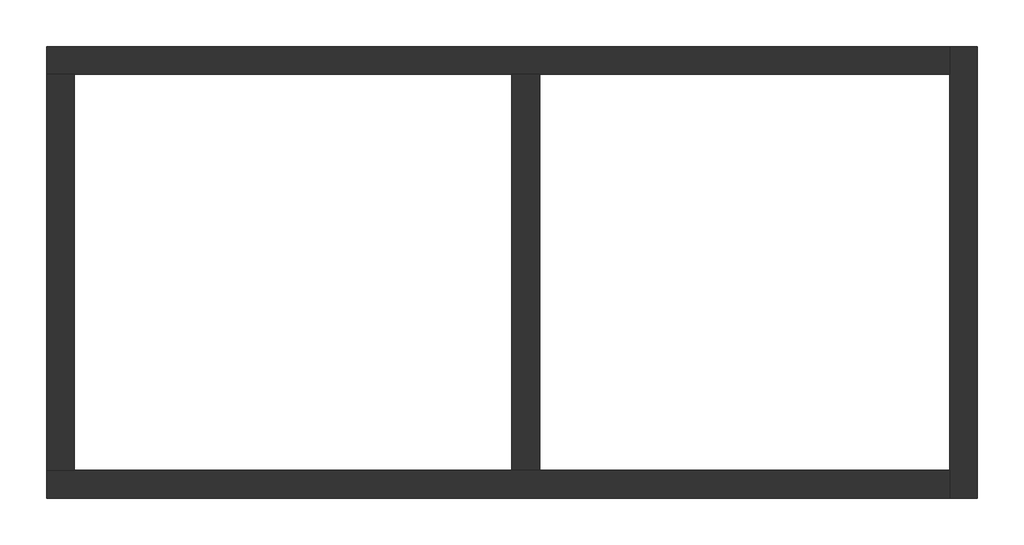
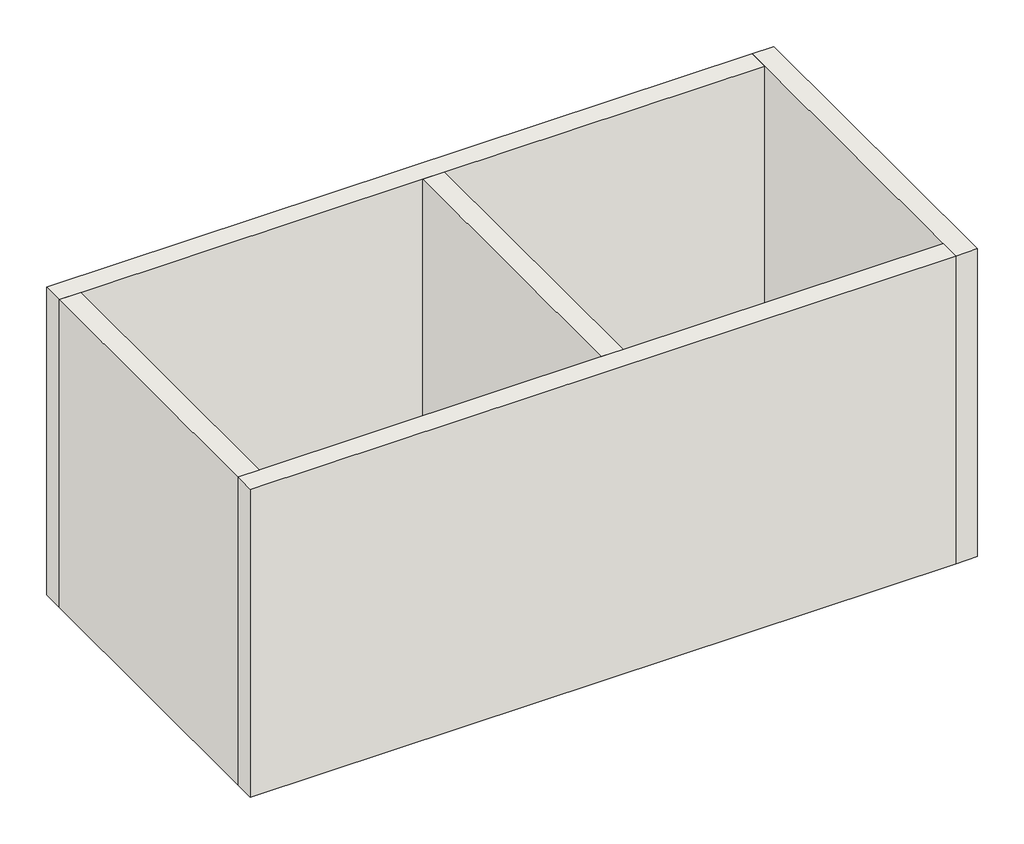
# One storey: 5 walls.
"""IFC4 building model written with IfcOpenShell, lengths in millimetres."""

import ifcopenshell
import ifcopenshell.guid

model = None  # the IFC model being written
_history = None  # IfcOwnerHistory: only IFC2X3 demands one
_inside = {}  # id of a spatial element -> (the spatial element, [elements in it])
_under = {}  # id of a project, library or spatial element -> (it, [spatial elements below it])
_declared = {}  # id of a project -> (the project, [libraries it declares])
_typed = {}  # id of a type object -> (the type object, [elements of that type])
_made_of = {}  # id of a material, layer set ... -> (it, [elements and type objects made of it])


def new_model(schema):
    """Start an empty IFC model of exactly this schema.

    Asked for "IFC4X3", IfcOpenShell would pick the latest addendum, in which some entities
    have other attributes; the version numbers below select the first issue.
    IFC2X3 requires an IfcOwnerHistory on every rooted entity: one is made here for all.
    """
    global model, _history
    if schema == "IFC4X3":
        model = ifcopenshell.file(schema_version=(4, 3, 0, 0))
    else:
        model = ifcopenshell.file(schema=schema)
    _inside.clear()
    _under.clear()
    _declared.clear()
    _typed.clear()
    _made_of.clear()
    _history = None
    if model.schema == "IFC2X3":
        org = make("IfcOrganization", Name="unknown")
        user = make(
            "IfcPersonAndOrganization",
            ThePerson=make("IfcPerson", FamilyName="unknown"),
            TheOrganization=org,
        )
        app = make(
            "IfcApplication",
            ApplicationDeveloper=org,
            Version="unknown",
            ApplicationFullName="unknown",
            ApplicationIdentifier="unknown",
        )
        _history = make(
            "IfcOwnerHistory",
            OwningUser=user,
            OwningApplication=app,
            ChangeAction="ADDED",
            CreationDate=0,
        )
    return model


def make(cls, **values):
    """One entity of the class cls with the attributes given. An attribute that is None is left unset."""
    return model.create_entity(
        cls, **{name: value for name, value in values.items() if value is not None}
    )


def rooted(cls, **values):
    """An entity with a GlobalId (a new one), such as an element, a storey or a relation."""
    return make(cls, GlobalId=ifcopenshell.guid.new(), OwnerHistory=_history, **values)


def si_unit(unit_type, name, prefix=None):
    """IfcSIUnit, for example si_unit("LENGTHUNIT", "METRE", prefix="MILLI")."""
    return make("IfcSIUnit", UnitType=unit_type, Prefix=prefix, Name=name)


def assignment(units):
    """IfcUnitAssignment: the units of a project."""
    return None if units is None else make("IfcUnitAssignment", Units=units)


def point(xyz):
    """IfcCartesianPoint."""
    return None if xyz is None else make("IfcCartesianPoint", Coordinates=xyz)


def direction(xyz):
    """IfcDirection."""
    return None if xyz is None else make("IfcDirection", DirectionRatios=xyz)


def frame(location, z_axis=None, x_axis=None):
    """IfcAxis2Placement3D, a coordinate frame: its origin and axes. An axis left out is left unset."""
    return make(
        "IfcAxis2Placement3D",
        Location=point(location),
        Axis=direction(z_axis),
        RefDirection=direction(x_axis),
    )


def origin():
    """The frame at (0, 0, 0) with its axes left unset."""
    return frame((0.0, 0.0, 0.0))


def origin_with_axes():
    """The frame at (0, 0, 0) with the z axis (0, 0, 1) and the x axis (1, 0, 0) written out."""
    return frame((0.0, 0.0, 0.0), z_axis=(0.0, 0.0, 1.0), x_axis=(1.0, 0.0, 0.0))


def place(relative_to, where):
    """IfcLocalPlacement: puts the frame where relative to a parent placement (None: the world)."""
    return make(
        "IfcLocalPlacement", PlacementRelTo=relative_to, RelativePlacement=where
    )


def context(
    kind, dimensions, precision=None, world=None, true_north=None, identifier=None
):
    """IfcGeometricRepresentationContext, for example the 3D "Model" context."""
    return make(
        "IfcGeometricRepresentationContext",
        ContextIdentifier=identifier,
        ContextType=kind,
        CoordinateSpaceDimension=dimensions,
        Precision=precision,
        WorldCoordinateSystem=world,
        TrueNorth=true_north,
    )


def project(units=None, contexts=None):
    """IfcProject with its units and contexts."""
    return rooted(
        "IfcProject",
        Name="project",
        RepresentationContexts=contexts,
        UnitsInContext=assignment(units),
    )


def spatial(cls, under=None, at=None, **own):
    """A site, building, storey or space (cls), placed at a placement, below another one or the project."""
    s = rooted(cls, ObjectPlacement=at, **own)
    if under is not None:
        _under.setdefault(under.id(), (under, []))[1].append(s)
    return s


def polyline(points):
    """IfcPolyline through the points."""
    return make("IfcPolyline", Points=[point(p) for p in points])


def outline(outer, holes=None, kind="AREA"):
    """IfcArbitraryClosedProfileDef: a profile drawn as a closed curve; with holes, ...WithVoids."""
    if holes is None:
        return make("IfcArbitraryClosedProfileDef", ProfileType=kind, OuterCurve=outer)
    return make(
        "IfcArbitraryProfileDefWithVoids",
        ProfileType=kind,
        OuterCurve=outer,
        InnerCurves=holes,
    )


def extrude(swept, where, along, depth):
    """IfcExtrudedAreaSolid: the profile swept, set in the frame where, extruded along a direction by depth."""
    return make(
        "IfcExtrudedAreaSolid",
        SweptArea=swept,
        Position=where,
        ExtrudedDirection=direction(along),
        Depth=depth,
    )


def faces_of(points, faces, orient=None, outer=None):
    """IfcFace entities. A face is a list of loops; a loop is a list of indices into points, from 0.

    orient and outer hold one flag for each loop. By default every Orientation is true, the
    first loop of a face is its IfcFaceOuterBound and the others are IfcFaceBound.
    """
    made = []
    for i, loops in enumerate(faces):
        bounds = []
        for j, loop in enumerate(loops):
            is_outer = j == 0 if outer is None else outer[i][j]
            bounds.append(
                make(
                    "IfcFaceOuterBound" if is_outer else "IfcFaceBound",
                    Bound=make("IfcPolyLoop", Polygon=[points[k] for k in loop]),
                    Orientation=True if orient is None else orient[i][j],
                )
            )
        made.append(make("IfcFace", Bounds=bounds))
    return made


def faceted_brep(points, faces, orient=None, outer=None, voids=None):
    """IfcFacetedBrep: a solid bounded by flat faces; with voids (closed shells), ...WithVoids."""
    shared = [point(p) for p in points]
    hull = make("IfcClosedShell", CfsFaces=faces_of(shared, faces, orient, outer))
    if voids is None:
        return make("IfcFacetedBrep", Outer=hull)
    return make(
        "IfcFacetedBrepWithVoids",
        Outer=hull,
        Voids=[
            make(cls, CfsFaces=faces_of(shared, fs, o, b)) for cls, fs, o, b in voids
        ],
    )


def shape(context_of_items, identifier, shape_type, items):
    """IfcShapeRepresentation: the items that make up one representation, for example the "Body"."""
    return make(
        "IfcShapeRepresentation",
        ContextOfItems=context_of_items,
        RepresentationIdentifier=identifier,
        RepresentationType=shape_type,
        Items=items,
    )


def made_of(thing, what):
    """Note that an element or type object is made of a material, layer set ...; save() writes the relation."""
    if what is not None:
        _made_of.setdefault(what.id(), (what, []))[1].append(thing)
    return thing


def element(
    cls,
    number,
    at=None,
    inside=None,
    cuts=None,
    type_object=None,
    material=None,
    context=None,
    identifier="Body",
    shape_type=None,
    held_by="IfcProductDefinitionShape",
    body=None,
    shapes=None,
    **own,
):
    """One element of the class cls, such as IfcWall. Its Tag is "e" and its number.

    at: its placement. inside: the storey or other place that contains it. cuts: it is an
    opening in that element (IfcRelVoidsElement). A single representation is given by context,
    identifier, shape_type and body (its items); several are given by shapes. held_by: the class
    of the entity that holds the representations. save() writes the other relations.
    """
    e = rooted(cls, Tag="e%d" % number, ObjectPlacement=at, **own)
    if body is not None:
        shapes = [shape(context, identifier, shape_type, body)]
    if shapes is not None:
        e.Representation = make(held_by, Representations=shapes)
    if inside is not None:
        _inside.setdefault(inside.id(), (inside, []))[1].append(e)
    if cuts is not None:
        rooted(
            "IfcRelVoidsElement", RelatingBuildingElement=cuts, RelatedOpeningElement=e
        )
    if type_object is not None:
        _typed.setdefault(type_object.id(), (type_object, []))[1].append(e)
    return made_of(e, material)


def aggregate(whole, parts):
    """IfcRelAggregates: a whole, such as a stair, and the parts it consists of."""
    return rooted("IfcRelAggregates", RelatingObject=whole, RelatedObjects=parts)


def save(model, path):
    """Write the relations noted so far, then the file.

    IfcRelAggregates (storeys below a building ...), IfcRelContainedInSpatialStructure (elements
    in a storey), IfcRelDefinesByType, IfcRelAssociatesMaterial and IfcRelDeclares: one each for
    every whole, place, type object, material and project.
    """
    for whole, parts in _under.values():
        aggregate(whole, parts)
    for where, things in _inside.values():
        rooted(
            "IfcRelContainedInSpatialStructure",
            RelatedElements=things,
            RelatingStructure=where,
        )
    for kind, things in _typed.values():
        rooted("IfcRelDefinesByType", RelatedObjects=things, RelatingType=kind)
    for what, things in _made_of.values():
        rooted("IfcRelAssociatesMaterial", RelatedObjects=things, RelatingMaterial=what)
    for by, libraries in _declared.values():
        rooted("IfcRelDeclares", RelatingContext=by, RelatedDefinitions=libraries)
    model.write(path)


model = new_model("IFC4")

# Units and contexts
model_context = context("Model", 3, world=origin())
ifc_project = project(units=[si_unit("LENGTHUNIT", "METRE", prefix="MILLI")], contexts=[model_context])

# Site, building, storey
site = spatial("IfcSite", under=ifc_project)
building = spatial("IfcBuilding", under=site)
storey = spatial("IfcBuildingStorey", under=building, Elevation=0.0)

# Walls
placement = place(None, origin())
element("IfcWall", 1, ObjectType="Generic - 8\" - Filled", at=placement, inside=storey, context=model_context, shape_type="Brep", body=[
    faceted_brep([(15311.8801852, 8974.3068465, 0.0), (12314.6801852, 8974.3068465, 0.0), (12111.4801852, 8974.3068465, 0.0), (8911.0801852, 8974.3068465, 0.0), (8707.8801852, 8974.3068465, 0.0), (8707.8801852, 8974.3068465, 3048.0), (8911.0801852, 8974.3068465, 3048.0), (12111.4801852, 8974.3068465, 3048.0), (12314.6801852, 8974.3068465, 3048.0), (15311.8801852, 8974.3068465, 3048.0), (15311.8801852, 8771.1068465, 0.0), (15311.8801852, 8771.1068465, 3048.0), (8707.8801852, 8771.1068465, 3048.0), (8707.8801852, 8771.1068465, 0.0)], [[[0, 1, 2, 3, 4, 5, 6, 7, 8, 9]], [[10, 11, 12, 13]], [[4, 3, 2, 1, 0, 10, 13]], [[9, 8, 7, 6, 5, 12, 11]], [[5, 4, 13, 12]], [[0, 9, 11, 10]]]),
])
element("IfcWall", 2, ObjectType="Generic - 8\" - Filled", at=placement, inside=storey, context=model_context, shape_type="Brep", body=[
    faceted_brep([(8707.8801852, 11869.9068465, 0.0), (8911.0801852, 11869.9068465, 0.0), (12111.4801852, 11869.9068465, 0.0), (12314.6801852, 11869.9068465, 0.0), (15311.8801852, 11869.9068465, 0.0), (15311.8801852, 11869.9068465, 3048.0), (12314.6801852, 11869.9068465, 3048.0), (12111.4801852, 11869.9068465, 3048.0), (8911.0801852, 11869.9068465, 3048.0), (8707.8801852, 11869.9068465, 3048.0), (8707.8801852, 12073.1068465, 0.0), (8707.8801852, 12073.1068465, 3048.0), (15311.8801852, 12073.1068465, 3048.0), (15311.8801852, 12073.1068465, 0.0)], [[[0, 1, 2, 3, 4, 5, 6, 7, 8, 9]], [[10, 11, 12, 13]], [[4, 3, 2, 1, 0, 10, 13]], [[9, 8, 7, 6, 5, 12, 11]], [[0, 9, 11, 10]], [[5, 4, 13, 12]]]),
])
element("IfcWall", 3, ObjectType="Generic - 8\" - Filled", at=placement, inside=storey, context=model_context, shape_type="SweptSolid", body=[
    extrude(outline(polyline([(12111.4801852, 8974.3068465), (12111.4801852, 11869.9068465), (12314.6801852, 11869.9068465), (12314.6801852, 8974.3068465), (12111.4801852, 8974.3068465)])), origin_with_axes(), (0.0, 0.0, 1.0), 3048.0),
])
element("IfcWall", 4, ObjectType="Generic - 8\" - Filled", at=placement, inside=storey, context=model_context, shape_type="SweptSolid", body=[
    extrude(outline(polyline([(8707.8801852, 8974.3068465), (8707.8801852, 11869.9068465), (8911.0801852, 11869.9068465), (8911.0801852, 8974.3068465), (8707.8801852, 8974.3068465)])), origin_with_axes(), (0.0, 0.0, 1.0), 3048.0),
])
element("IfcWall", 5, ObjectType="Generic - 8\" - Filled", at=placement, inside=storey, context=model_context, shape_type="Brep", body=[
    faceted_brep([(15311.8801852, 12073.1068465, 0.0), (15311.8801852, 11869.9068465, 0.0), (15311.8801852, 8974.3068465, 0.0), (15311.8801852, 8771.1068465, 0.0), (15311.8801852, 8771.1068465, 3048.0), (15311.8801852, 8974.3068465, 3048.0), (15311.8801852, 11869.9068465, 3048.0), (15311.8801852, 12073.1068465, 3048.0), (15515.0801852, 12073.1068465, 0.0), (15515.0801852, 12073.1068465, 3048.0), (15515.0801852, 8771.1068465, 3048.0), (15515.0801852, 8771.1068465, 0.0)], [[[0, 1, 2, 3, 4, 5, 6, 7]], [[8, 9, 10, 11]], [[3, 2, 1, 0, 8, 11]], [[7, 6, 5, 4, 10, 9]], [[0, 7, 9, 8]], [[4, 3, 11, 10]]]),
])

save(model, "model.ifc")
